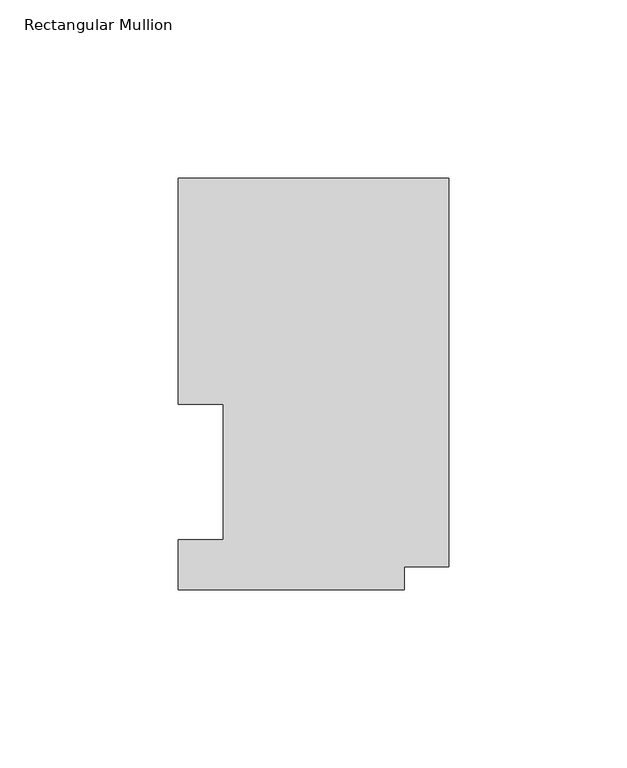
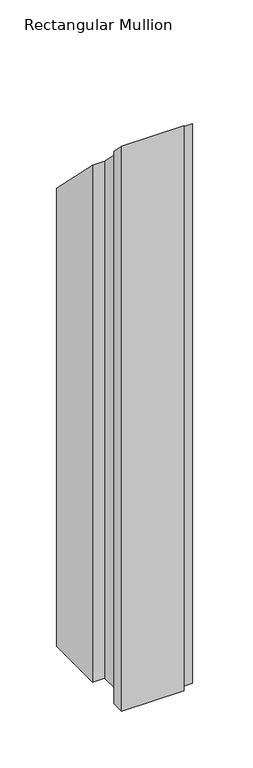
"""IFC4 building model written with IfcOpenShell, lengths in millimetres: member geometry, Rectangular Mullion."""

from ifc_helpers import new_model, si_unit, origin, place, context, project, spatial, faceted_brep, source, transform, mapped, element, save


def rectangular_mullion_f06f01cf(model_context):
    return source(origin(), model_context, "Body", "Brep", [
        faceted_brep([(0.0, 115.5898607, -609.56825), (0.0, 6.3856708, -609.56825), (-12.5262802, 6.3856708, -609.56825), (-12.5262802, 0.0198607, -609.56825), (-76.0262802, 0.0198607, -609.56825), (-76.0262802, 13.9898777, -609.56825), (-63.3262802, 13.9898777, -609.56825), (-63.3262802, 52.0898438, -609.56825), (-76.0222, 52.0898438, -609.56825), (-76.0222, 115.5898607, -609.56825), (-76.0222, 115.5898607, -115.5898607), (0.0, 115.5898607, -115.5898607), (-76.0222, 52.0898438, -52.0898437), (-63.3262802, 52.0898438, -52.0898437), (-63.3262802, 13.9898777, -13.9898777), (-76.0262802, 13.9898777, -13.9898777), (-76.0262802, 0.0198607, -0.0198607), (-12.5262802, 0.0198607, -0.0198607), (-12.5262802, 6.3856708, -6.3856708), (0.0, 6.3856708, -6.3856708)], [[[0, 1, 2, 3, 4, 5, 6, 7, 8, 9]], [[10, 11, 0, 9]], [[12, 10, 9, 8]], [[13, 12, 8, 7]], [[14, 13, 7, 6]], [[15, 14, 6, 5]], [[16, 15, 5, 4]], [[17, 16, 4, 3]], [[18, 17, 3, 2]], [[19, 18, 2, 1]], [[11, 19, 1, 0]], [[11, 10, 12, 13, 14, 15, 16, 17, 18, 19]]]),
    ])


if __name__ == "__main__":
    model = new_model("IFC4")
    model_context = context("Model", 3, world=origin())
    ifc_project = project(units=[si_unit("LENGTHUNIT", "METRE", prefix="MILLI")], contexts=[model_context])
    site = spatial("IfcSite", under=ifc_project)
    building = spatial("IfcBuilding", under=site)
    placement = place(None, origin())
    rectangular_mullion_shape = rectangular_mullion_f06f01cf(model_context)
    element("IfcMember", 1, ObjectType="Rectangular Mullion", at=placement, inside=building, context=model_context, shape_type="MappedRepresentation", body=[
        mapped(rectangular_mullion_shape, transform((0.0, 0.0, 0.0), x_axis=(1.0, 0.0, 0.0), y_axis=(0.0, 1.0, 0.0), z_axis=(0.0, 0.0, 1.0))),
    ])
    save(model, "model.ifc")
